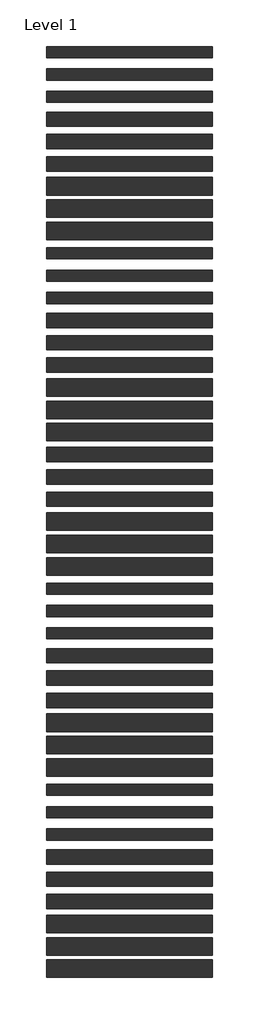
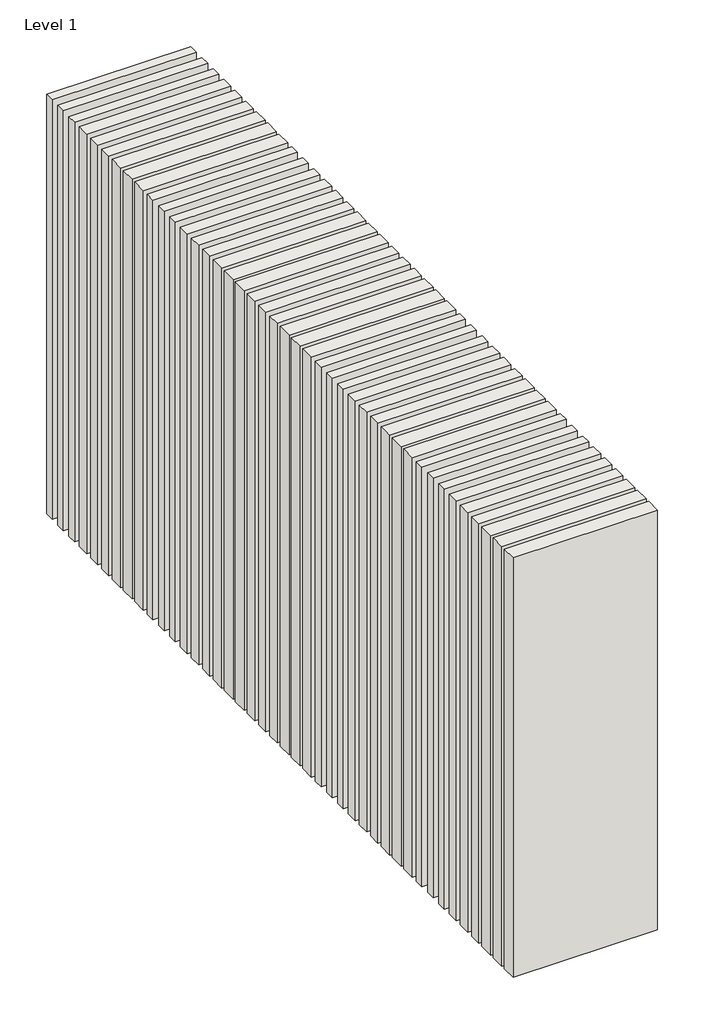
# One storey: 42 walls.
"""IFC4 building model written with IfcOpenShell, lengths in millimetres."""

from ifc_helpers import new_model, si_unit, origin, origin_with_axes, place, context, project, spatial, polyline, outline, extrude, element, save

model = new_model("IFC4")

# Units and contexts
model_context = context("Model", 3, world=origin())
ifc_project = project(units=[si_unit("LENGTHUNIT", "METRE", prefix="MILLI")], contexts=[model_context])

# Site, building, storey
site = spatial("IfcSite", under=ifc_project)
building = spatial("IfcBuilding", under=site)
storey = spatial("IfcBuildingStorey", under=building, Name="Level 1", Elevation=0.0)

# Walls
placement = place(None, origin())
element("IfcWall", 1, at=placement, inside=storey, context=model_context, shape_type="SweptSolid", body=[
    extrude(outline(polyline([(-16904.1464237, 3650.0198817), (-19504.1464237, 3650.0198817), (-19504.1464237, 3825.0198817), (-16904.1464237, 3825.0198817), (-16904.1464237, 3650.0198817)])), origin_with_axes(), (0.0, 0.0, 1.0), 8000.0),
])
element("IfcWall", 2, at=placement, inside=storey, context=model_context, shape_type="SweptSolid", body=[
    extrude(outline(polyline([(-16904.1464237, 3300.0198817), (-19504.1464237, 3300.0198817), (-19504.1464237, 3475.0198817), (-16904.1464237, 3475.0198817), (-16904.1464237, 3300.0198817)])), origin_with_axes(), (0.0, 0.0, 1.0), 8000.0),
])
element("IfcWall", 3, at=placement, inside=storey, context=model_context, shape_type="SweptSolid", body=[
    extrude(outline(polyline([(-16904.1464237, 2950.0198817), (-19504.1464237, 2950.0198817), (-19504.1464237, 3125.0198817), (-16904.1464237, 3125.0198817), (-16904.1464237, 2950.0198817)])), origin_with_axes(), (0.0, 0.0, 1.0), 8000.0),
])
element("IfcWall", 4, at=placement, inside=storey, context=model_context, shape_type="SweptSolid", body=[
    extrude(outline(polyline([(-16904.1464237, 2575.0198817), (-19504.1464237, 2575.0198817), (-19504.1464237, 2800.0198817), (-16904.1464237, 2800.0198817), (-16904.1464237, 2575.0198817)])), origin_with_axes(), (0.0, 0.0, 1.0), 8000.0),
])
element("IfcWall", 5, at=placement, inside=storey, context=model_context, shape_type="SweptSolid", body=[
    extrude(outline(polyline([(-16904.1464237, 2225.0198817), (-19504.1464237, 2225.0198817), (-19504.1464237, 2450.0198817), (-16904.1464237, 2450.0198817), (-16904.1464237, 2225.0198817)])), origin_with_axes(), (0.0, 0.0, 1.0), 8000.0),
])
element("IfcWall", 6, at=placement, inside=storey, context=model_context, shape_type="SweptSolid", body=[
    extrude(outline(polyline([(-16904.1464237, 1875.0198817), (-19504.1464237, 1875.0198817), (-19504.1464237, 2100.0198817), (-16904.1464237, 2100.0198817), (-16904.1464237, 1875.0198817)])), origin_with_axes(), (0.0, 0.0, 1.0), 8000.0),
])
element("IfcWall", 7, at=placement, inside=storey, context=model_context, shape_type="SweptSolid", body=[
    extrude(outline(polyline([(-16904.1464237, 1500.0198817), (-19504.1464237, 1500.0198817), (-19504.1464237, 1775.0198817), (-16904.1464237, 1775.0198817), (-16904.1464237, 1500.0198817)])), origin_with_axes(), (0.0, 0.0, 1.0), 8000.0),
])
element("IfcWall", 8, at=placement, inside=storey, context=model_context, shape_type="SweptSolid", body=[
    extrude(outline(polyline([(-16904.1464237, 1150.0198817), (-19504.1464237, 1150.0198817), (-19504.1464237, 1425.0198817), (-16904.1464237, 1425.0198817), (-16904.1464237, 1150.0198817)])), origin_with_axes(), (0.0, 0.0, 1.0), 8000.0),
])
element("IfcWall", 9, at=placement, inside=storey, context=model_context, shape_type="SweptSolid", body=[
    extrude(outline(polyline([(-16904.1464237, 800.0198817), (-19504.1464237, 800.0198817), (-19504.1464237, 1075.0198817), (-16904.1464237, 1075.0198817), (-16904.1464237, 800.0198817)])), origin_with_axes(), (0.0, 0.0, 1.0), 8000.0),
])
element("IfcWall", 10, at=placement, inside=storey, context=model_context, shape_type="SweptSolid", body=[
    extrude(outline(polyline([(-16904.1464237, 500.0198817), (-19504.1464237, 500.0198817), (-19504.1464237, 675.0198817), (-16904.1464237, 675.0198817), (-16904.1464237, 500.0198817)])), origin_with_axes(), (0.0, 0.0, 1.0), 8000.0),
])
element("IfcWall", 11, at=placement, inside=storey, context=model_context, shape_type="SweptSolid", body=[
    extrude(outline(polyline([(-16904.1464237, 150.0198817), (-19504.1464237, 150.0198817), (-19504.1464237, 325.0198817), (-16904.1464237, 325.0198817), (-16904.1464237, 150.0198817)])), origin_with_axes(), (0.0, 0.0, 1.0), 8000.0),
])
element("IfcWall", 12, at=placement, inside=storey, context=model_context, shape_type="SweptSolid", body=[
    extrude(outline(polyline([(-16904.1464237, -199.9801183), (-19504.1464237, -199.9801183), (-19504.1464237, -24.9801183), (-16904.1464237, -24.9801183), (-16904.1464237, -199.9801183)])), origin_with_axes(), (0.0, 0.0, 1.0), 8000.0),
])
element("IfcWall", 13, at=placement, inside=storey, context=model_context, shape_type="SweptSolid", body=[
    extrude(outline(polyline([(-16904.1464237, -574.9801183), (-19504.1464237, -574.9801183), (-19504.1464237, -349.9801183), (-16904.1464237, -349.9801183), (-16904.1464237, -574.9801183)])), origin_with_axes(), (0.0, 0.0, 1.0), 8000.0),
])
element("IfcWall", 14, at=placement, inside=storey, context=model_context, shape_type="SweptSolid", body=[
    extrude(outline(polyline([(-16904.1464237, -924.9801183), (-19504.1464237, -924.9801183), (-19504.1464237, -699.9801183), (-16904.1464237, -699.9801183), (-16904.1464237, -924.9801183)])), origin_with_axes(), (0.0, 0.0, 1.0), 8000.0),
])
element("IfcWall", 15, at=placement, inside=storey, context=model_context, shape_type="SweptSolid", body=[
    extrude(outline(polyline([(-16904.1464237, -1274.9801183), (-19504.1464237, -1274.9801183), (-19504.1464237, -1049.9801183), (-16904.1464237, -1049.9801183), (-16904.1464237, -1274.9801183)])), origin_with_axes(), (0.0, 0.0, 1.0), 8000.0),
])
element("IfcWall", 16, at=placement, inside=storey, context=model_context, shape_type="SweptSolid", body=[
    extrude(outline(polyline([(-16904.1464237, -1649.9801183), (-19504.1464237, -1649.9801183), (-19504.1464237, -1374.9801183), (-16904.1464237, -1374.9801183), (-16904.1464237, -1649.9801183)])), origin_with_axes(), (0.0, 0.0, 1.0), 8000.0),
])
element("IfcWall", 17, at=placement, inside=storey, context=model_context, shape_type="SweptSolid", body=[
    extrude(outline(polyline([(-16904.1464237, -1999.9801183), (-19504.1464237, -1999.9801183), (-19504.1464237, -1724.9801183), (-16904.1464237, -1724.9801183), (-16904.1464237, -1999.9801183)])), origin_with_axes(), (0.0, 0.0, 1.0), 8000.0),
])
element("IfcWall", 18, at=placement, inside=storey, context=model_context, shape_type="SweptSolid", body=[
    extrude(outline(polyline([(-16904.1464237, -2349.9801183), (-19504.1464237, -2349.9801183), (-19504.1464237, -2074.9801183), (-16904.1464237, -2074.9801183), (-16904.1464237, -2349.9801183)])), origin_with_axes(), (0.0, 0.0, 1.0), 8000.0),
])
element("IfcWall", 19, at=placement, inside=storey, context=model_context, shape_type="SweptSolid", body=[
    extrude(outline(polyline([(-16904.1464237, -2674.9801183), (-19504.1464237, -2674.9801183), (-19504.1464237, -2449.9801183), (-16904.1464237, -2449.9801183), (-16904.1464237, -2674.9801183)])), origin_with_axes(), (0.0, 0.0, 1.0), 8000.0),
])
element("IfcWall", 20, at=placement, inside=storey, context=model_context, shape_type="SweptSolid", body=[
    extrude(outline(polyline([(-16904.1464237, -3024.9801183), (-19504.1464237, -3024.9801183), (-19504.1464237, -2799.9801183), (-16904.1464237, -2799.9801183), (-16904.1464237, -3024.9801183)])), origin_with_axes(), (0.0, 0.0, 1.0), 8000.0),
])
element("IfcWall", 21, at=placement, inside=storey, context=model_context, shape_type="SweptSolid", body=[
    extrude(outline(polyline([(-16904.1464237, -3374.9801183), (-19504.1464237, -3374.9801183), (-19504.1464237, -3149.9801183), (-16904.1464237, -3149.9801183), (-16904.1464237, -3374.9801183)])), origin_with_axes(), (0.0, 0.0, 1.0), 8000.0),
])
element("IfcWall", 22, at=placement, inside=storey, context=model_context, shape_type="SweptSolid", body=[
    extrude(outline(polyline([(-16904.1464237, -3749.9801183), (-19504.1464237, -3749.9801183), (-19504.1464237, -3474.9801183), (-16904.1464237, -3474.9801183), (-16904.1464237, -3749.9801183)])), origin_with_axes(), (0.0, 0.0, 1.0), 8000.0),
])
element("IfcWall", 23, at=placement, inside=storey, context=model_context, shape_type="SweptSolid", body=[
    extrude(outline(polyline([(-16904.1464237, -4099.9801183), (-19504.1464237, -4099.9801183), (-19504.1464237, -3824.9801183), (-16904.1464237, -3824.9801183), (-16904.1464237, -4099.9801183)])), origin_with_axes(), (0.0, 0.0, 1.0), 8000.0),
])
element("IfcWall", 24, at=placement, inside=storey, context=model_context, shape_type="SweptSolid", body=[
    extrude(outline(polyline([(-16904.1464237, -4449.9801183), (-19504.1464237, -4449.9801183), (-19504.1464237, -4174.9801183), (-16904.1464237, -4174.9801183), (-16904.1464237, -4449.9801183)])), origin_with_axes(), (0.0, 0.0, 1.0), 8000.0),
])
element("IfcWall", 25, at=placement, inside=storey, context=model_context, shape_type="SweptSolid", body=[
    extrude(outline(polyline([(-16904.1464237, -4749.9801183), (-19504.1464237, -4749.9801183), (-19504.1464237, -4574.9801183), (-16904.1464237, -4574.9801183), (-16904.1464237, -4749.9801183)])), origin_with_axes(), (0.0, 0.0, 1.0), 8000.0),
])
element("IfcWall", 26, at=placement, inside=storey, context=model_context, shape_type="SweptSolid", body=[
    extrude(outline(polyline([(-16904.1464237, -5099.9801183), (-19504.1464237, -5099.9801183), (-19504.1464237, -4924.9801183), (-16904.1464237, -4924.9801183), (-16904.1464237, -5099.9801183)])), origin_with_axes(), (0.0, 0.0, 1.0), 8000.0),
])
element("IfcWall", 27, at=placement, inside=storey, context=model_context, shape_type="SweptSolid", body=[
    extrude(outline(polyline([(-16904.1464237, -5449.9801183), (-19504.1464237, -5449.9801183), (-19504.1464237, -5274.9801183), (-16904.1464237, -5274.9801183), (-16904.1464237, -5449.9801183)])), origin_with_axes(), (0.0, 0.0, 1.0), 8000.0),
])
element("IfcWall", 28, at=placement, inside=storey, context=model_context, shape_type="SweptSolid", body=[
    extrude(outline(polyline([(-16904.1464237, -5824.9801183), (-19504.1464237, -5824.9801183), (-19504.1464237, -5599.9801183), (-16904.1464237, -5599.9801183), (-16904.1464237, -5824.9801183)])), origin_with_axes(), (0.0, 0.0, 1.0), 8000.0),
])
element("IfcWall", 29, at=placement, inside=storey, context=model_context, shape_type="SweptSolid", body=[
    extrude(outline(polyline([(-16904.1464237, -6174.9801183), (-19504.1464237, -6174.9801183), (-19504.1464237, -5949.9801183), (-16904.1464237, -5949.9801183), (-16904.1464237, -6174.9801183)])), origin_with_axes(), (0.0, 0.0, 1.0), 8000.0),
])
element("IfcWall", 30, at=placement, inside=storey, context=model_context, shape_type="SweptSolid", body=[
    extrude(outline(polyline([(-16904.1464237, -6524.9801183), (-19504.1464237, -6524.9801183), (-19504.1464237, -6299.9801183), (-16904.1464237, -6299.9801183), (-16904.1464237, -6524.9801183)])), origin_with_axes(), (0.0, 0.0, 1.0), 8000.0),
])
element("IfcWall", 31, at=placement, inside=storey, context=model_context, shape_type="SweptSolid", body=[
    extrude(outline(polyline([(-16904.1464237, -6899.9801183), (-19504.1464237, -6899.9801183), (-19504.1464237, -6624.9801183), (-16904.1464237, -6624.9801183), (-16904.1464237, -6899.9801183)])), origin_with_axes(), (0.0, 0.0, 1.0), 8000.0),
])
element("IfcWall", 32, at=placement, inside=storey, context=model_context, shape_type="SweptSolid", body=[
    extrude(outline(polyline([(-16904.1464237, -7249.9801183), (-19504.1464237, -7249.9801183), (-19504.1464237, -6974.9801183), (-16904.1464237, -6974.9801183), (-16904.1464237, -7249.9801183)])), origin_with_axes(), (0.0, 0.0, 1.0), 8000.0),
])
element("IfcWall", 33, at=placement, inside=storey, context=model_context, shape_type="SweptSolid", body=[
    extrude(outline(polyline([(-16904.1464237, -7599.9801183), (-19504.1464237, -7599.9801183), (-19504.1464237, -7324.9801183), (-16904.1464237, -7324.9801183), (-16904.1464237, -7599.9801183)])), origin_with_axes(), (0.0, 0.0, 1.0), 8000.0),
])
element("IfcWall", 34, at=placement, inside=storey, context=model_context, shape_type="SweptSolid", body=[
    extrude(outline(polyline([(-16904.1464237, -7899.9801183), (-19504.1464237, -7899.9801183), (-19504.1464237, -7724.9801183), (-16904.1464237, -7724.9801183), (-16904.1464237, -7899.9801183)])), origin_with_axes(), (0.0, 0.0, 1.0), 8000.0),
])
element("IfcWall", 35, at=placement, inside=storey, context=model_context, shape_type="SweptSolid", body=[
    extrude(outline(polyline([(-16904.1464237, -8249.9801183), (-19504.1464237, -8249.9801183), (-19504.1464237, -8074.9801183), (-16904.1464237, -8074.9801183), (-16904.1464237, -8249.9801183)])), origin_with_axes(), (0.0, 0.0, 1.0), 8000.0),
])
element("IfcWall", 36, at=placement, inside=storey, context=model_context, shape_type="SweptSolid", body=[
    extrude(outline(polyline([(-16904.1464237, -8599.9801183), (-19504.1464237, -8599.9801183), (-19504.1464237, -8424.9801183), (-16904.1464237, -8424.9801183), (-16904.1464237, -8599.9801183)])), origin_with_axes(), (0.0, 0.0, 1.0), 8000.0),
])
element("IfcWall", 37, at=placement, inside=storey, context=model_context, shape_type="SweptSolid", body=[
    extrude(outline(polyline([(-16904.1464237, -8974.9801183), (-19504.1464237, -8974.9801183), (-19504.1464237, -8749.9801183), (-16904.1464237, -8749.9801183), (-16904.1464237, -8974.9801183)])), origin_with_axes(), (0.0, 0.0, 1.0), 8000.0),
])
element("IfcWall", 38, at=placement, inside=storey, context=model_context, shape_type="SweptSolid", body=[
    extrude(outline(polyline([(-16904.1464237, -9324.9801183), (-19504.1464237, -9324.9801183), (-19504.1464237, -9099.9801183), (-16904.1464237, -9099.9801183), (-16904.1464237, -9324.9801183)])), origin_with_axes(), (0.0, 0.0, 1.0), 8000.0),
])
element("IfcWall", 39, at=placement, inside=storey, context=model_context, shape_type="SweptSolid", body=[
    extrude(outline(polyline([(-16904.1464237, -9674.9801183), (-19504.1464237, -9674.9801183), (-19504.1464237, -9449.9801183), (-16904.1464237, -9449.9801183), (-16904.1464237, -9674.9801183)])), origin_with_axes(), (0.0, 0.0, 1.0), 8000.0),
])
element("IfcWall", 40, at=placement, inside=storey, context=model_context, shape_type="SweptSolid", body=[
    extrude(outline(polyline([(-16904.1464237, -10049.9801183), (-19504.1464237, -10049.9801183), (-19504.1464237, -9774.9801183), (-16904.1464237, -9774.9801183), (-16904.1464237, -10049.9801183)])), origin_with_axes(), (0.0, 0.0, 1.0), 8000.0),
])
element("IfcWall", 41, at=placement, inside=storey, context=model_context, shape_type="SweptSolid", body=[
    extrude(outline(polyline([(-16904.1464237, -10399.9801183), (-19504.1464237, -10399.9801183), (-19504.1464237, -10124.9801183), (-16904.1464237, -10124.9801183), (-16904.1464237, -10399.9801183)])), origin_with_axes(), (0.0, 0.0, 1.0), 8000.0),
])
element("IfcWall", 42, at=placement, inside=storey, context=model_context, shape_type="SweptSolid", body=[
    extrude(outline(polyline([(-16904.1464237, -10749.9801183), (-19504.1464237, -10749.9801183), (-19504.1464237, -10474.9801183), (-16904.1464237, -10474.9801183), (-16904.1464237, -10749.9801183)])), origin_with_axes(), (0.0, 0.0, 1.0), 8000.0),
])

save(model, "model.ifc")
